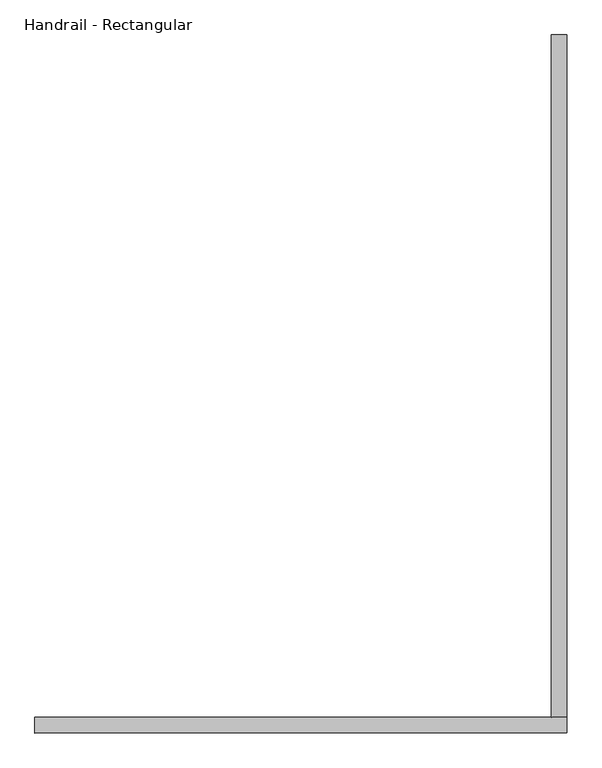
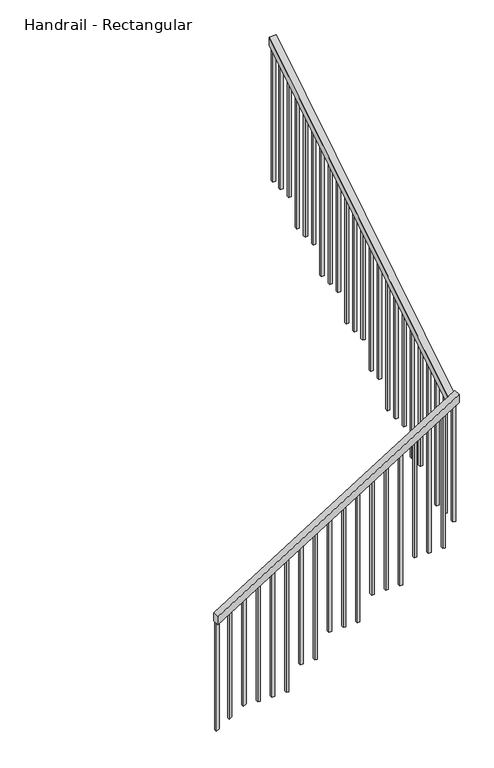
"""IFC4 building model written with IfcOpenShell, lengths in millimetres: railing geometry, Handrail - Rectangular."""

from ifc_helpers import new_model, si_unit, frame, origin, place, context, project, spatial, polyline, outline, extrude, source, transform, mapped, element, save


def handrail_rectangular_c1843fc4(model_context):
    return source(origin(), model_context, "Body", "SweptSolid", [
        extrude(outline(polyline([(930.2337662, 9224.6276888), (870.3716529, 9224.6276888), (1945.088536, 10948.6526888), (2004.9506494, 10948.6526888), (930.2337662, 9224.6276888)])), frame((0.0, -7015.6004697, 0.0), z_axis=(0.0, 1.0, 0.0), x_axis=(0.0, 0.0, 1.0)), (0.0, 0.0, 1.0), 50.8),
        extrude(outline(polyline([(-6964.8004697, 1915.4002243), (-6964.8004697, 1975.2623377), (-4755.0004697, 3352.8), (-4755.0004697, 3292.9378867), (-6964.8004697, 1915.4002243)])), frame((10897.8526888, 0.0, 0.0), z_axis=(1.0, 0.0, 0.0), x_axis=(0.0, 1.0, 0.0)), (0.0, 0.0, 1.0), 50.8),
        extrude(outline(polyline([(-4847.0754697, 3235.5404841), (-4847.0754697, 2264.2285714), (-4866.1254697, 2264.2285714), (-4866.1254697, 3223.6651594), (-4847.0754697, 3235.5404841)])), frame((10913.7276888, 0.0, 0.0), z_axis=(1.0, 0.0, 0.0), x_axis=(0.0, 1.0, 0.0)), (0.0, 0.0, 1.0), 19.05),
        extrude(outline(polyline([(-4948.6754697, 3172.2054191), (-4948.6754697, 2264.2285714), (-4967.7254697, 2264.2285714), (-4967.7254697, 3160.3300945), (-4948.6754697, 3172.2054191)])), frame((10913.7276888, 0.0, 0.0), z_axis=(1.0, 0.0, 0.0), x_axis=(0.0, 1.0, 0.0)), (0.0, 0.0, 1.0), 19.05),
        extrude(outline(polyline([(-5050.2754697, 3108.8703542), (-5050.2754697, 2090.0571429), (-5069.3254697, 2090.0571429), (-5069.3254697, 3096.9950295), (-5050.2754697, 3108.8703542)])), frame((10913.7276888, 0.0, 0.0), z_axis=(1.0, 0.0, 0.0), x_axis=(0.0, 1.0, 0.0)), (0.0, 0.0, 1.0), 19.05),
        extrude(outline(polyline([(-5151.8754697, 3045.5352893), (-5151.8754697, 2090.0571429), (-5170.9254697, 2090.0571429), (-5170.9254697, 3033.6599646), (-5151.8754697, 3045.5352893)])), frame((10913.7276888, 0.0, 0.0), z_axis=(1.0, 0.0, 0.0), x_axis=(0.0, 1.0, 0.0)), (0.0, 0.0, 1.0), 19.05),
        extrude(outline(polyline([(-5253.4754697, 2982.2002243), (-5253.4754697, 2090.0571429), (-5272.5254697, 2090.0571429), (-5272.5254697, 2970.3248997), (-5253.4754697, 2982.2002243)])), frame((10913.7276888, 0.0, 0.0), z_axis=(1.0, 0.0, 0.0), x_axis=(0.0, 1.0, 0.0)), (0.0, 0.0, 1.0), 19.05),
        extrude(outline(polyline([(-5355.0754697, 2918.8651594), (-5355.0754697, 1915.8857143), (-5374.1254697, 1915.8857143), (-5374.1254697, 2906.9898347), (-5355.0754697, 2918.8651594)])), frame((10913.7276888, 0.0, 0.0), z_axis=(1.0, 0.0, 0.0), x_axis=(0.0, 1.0, 0.0)), (0.0, 0.0, 1.0), 19.05),
        extrude(outline(polyline([(-5456.6754697, 2855.5300945), (-5456.6754697, 1915.8857143), (-5475.7254697, 1915.8857143), (-5475.7254697, 2843.6547698), (-5456.6754697, 2855.5300945)])), frame((10913.7276888, 0.0, 0.0), z_axis=(1.0, 0.0, 0.0), x_axis=(0.0, 1.0, 0.0)), (0.0, 0.0, 1.0), 19.05),
        extrude(outline(polyline([(-5558.2754697, 2792.1950295), (-5558.2754697, 1915.8857143), (-5577.3254697, 1915.8857143), (-5577.3254697, 2780.3197048), (-5558.2754697, 2792.1950295)])), frame((10913.7276888, 0.0, 0.0), z_axis=(1.0, 0.0, 0.0), x_axis=(0.0, 1.0, 0.0)), (0.0, 0.0, 1.0), 19.05),
        extrude(outline(polyline([(-5659.8754697, 2728.8599646), (-5659.8754697, 1741.7142857), (-5678.9254697, 1741.7142857), (-5678.9254697, 2716.9846399), (-5659.8754697, 2728.8599646)])), frame((10913.7276888, 0.0, 0.0), z_axis=(1.0, 0.0, 0.0), x_axis=(0.0, 1.0, 0.0)), (0.0, 0.0, 1.0), 19.05),
        extrude(outline(polyline([(-5761.4754697, 2665.5248997), (-5761.4754697, 1741.7142857), (-5780.5254697, 1741.7142857), (-5780.5254697, 2653.649575), (-5761.4754697, 2665.5248997)])), frame((10913.7276888, 0.0, 0.0), z_axis=(1.0, 0.0, 0.0), x_axis=(0.0, 1.0, 0.0)), (0.0, 0.0, 1.0), 19.05),
        extrude(outline(polyline([(-5863.0754697, 2602.1898347), (-5863.0754697, 1741.7142857), (-5882.1254697, 1741.7142857), (-5882.1254697, 2590.31451), (-5863.0754697, 2602.1898347)])), frame((10913.7276888, 0.0, 0.0), z_axis=(1.0, 0.0, 0.0), x_axis=(0.0, 1.0, 0.0)), (0.0, 0.0, 1.0), 19.05),
        extrude(outline(polyline([(-5964.6754697, 2538.8547698), (-5964.6754697, 1567.5428571), (-5983.7254697, 1567.5428571), (-5983.7254697, 2526.9794451), (-5964.6754697, 2538.8547698)])), frame((10913.7276888, 0.0, 0.0), z_axis=(1.0, 0.0, 0.0), x_axis=(0.0, 1.0, 0.0)), (0.0, 0.0, 1.0), 19.05),
        extrude(outline(polyline([(-6066.2754697, 2475.5197048), (-6066.2754697, 1567.5428571), (-6085.3254697, 1567.5428571), (-6085.3254697, 2463.6443802), (-6066.2754697, 2475.5197048)])), frame((10913.7276888, 0.0, 0.0), z_axis=(1.0, 0.0, 0.0), x_axis=(0.0, 1.0, 0.0)), (0.0, 0.0, 1.0), 19.05),
        extrude(outline(polyline([(-6167.8754697, 2412.1846399), (-6167.8754697, 1393.3714286), (-6186.9254697, 1393.3714286), (-6186.9254697, 2400.3093152), (-6167.8754697, 2412.1846399)])), frame((10913.7276888, 0.0, 0.0), z_axis=(1.0, 0.0, 0.0), x_axis=(0.0, 1.0, 0.0)), (0.0, 0.0, 1.0), 19.05),
        extrude(outline(polyline([(-6269.4754697, 2348.849575), (-6269.4754697, 1393.3714286), (-6288.5254697, 1393.3714286), (-6288.5254697, 2336.9742503), (-6269.4754697, 2348.849575)])), frame((10913.7276888, 0.0, 0.0), z_axis=(1.0, 0.0, 0.0), x_axis=(0.0, 1.0, 0.0)), (0.0, 0.0, 1.0), 19.05),
        extrude(outline(polyline([(-6371.0754697, 2285.51451), (-6371.0754697, 1393.3714286), (-6390.1254697, 1393.3714286), (-6390.1254697, 2273.6391854), (-6371.0754697, 2285.51451)])), frame((10913.7276888, 0.0, 0.0), z_axis=(1.0, 0.0, 0.0), x_axis=(0.0, 1.0, 0.0)), (0.0, 0.0, 1.0), 19.05),
        extrude(outline(polyline([(-6472.6754697, 2222.1794451), (-6472.6754697, 1219.2), (-6491.7254697, 1219.2), (-6491.7254697, 2210.3041204), (-6472.6754697, 2222.1794451)])), frame((10913.7276888, 0.0, 0.0), z_axis=(1.0, 0.0, 0.0), x_axis=(0.0, 1.0, 0.0)), (0.0, 0.0, 1.0), 19.05),
        extrude(outline(polyline([(-6574.2754697, 2158.8443802), (-6574.2754697, 1219.2), (-6593.3254697, 1219.2), (-6593.3254697, 2146.9690555), (-6574.2754697, 2158.8443802)])), frame((10913.7276888, 0.0, 0.0), z_axis=(1.0, 0.0, 0.0), x_axis=(0.0, 1.0, 0.0)), (0.0, 0.0, 1.0), 19.05),
        extrude(outline(polyline([(-6675.8754697, 2095.5093152), (-6675.8754697, 1219.2), (-6694.9254697, 1219.2), (-6694.9254697, 2083.6339906), (-6675.8754697, 2095.5093152)])), frame((10913.7276888, 0.0, 0.0), z_axis=(1.0, 0.0, 0.0), x_axis=(0.0, 1.0, 0.0)), (0.0, 0.0, 1.0), 19.05),
        extrude(outline(polyline([(-6777.4754697, 2032.1742503), (-6777.4754697, 1045.0285714), (-6796.5254697, 1045.0285714), (-6796.5254697, 2020.2989256), (-6777.4754697, 2032.1742503)])), frame((10913.7276888, 0.0, 0.0), z_axis=(1.0, 0.0, 0.0), x_axis=(0.0, 1.0, 0.0)), (0.0, 0.0, 1.0), 19.05),
        extrude(outline(polyline([(-6879.0754697, 1968.8391854), (-6879.0754697, 1045.0285714), (-6898.1254697, 1045.0285714), (-6898.1254697, 1956.9638607), (-6879.0754697, 1968.8391854)])), frame((10913.7276888, 0.0, 0.0), z_axis=(1.0, 0.0, 0.0), x_axis=(0.0, 1.0, 0.0)), (0.0, 0.0, 1.0), 19.05),
        extrude(outline(polyline([(1877.7950295, 10840.7026888), (870.8571429, 10840.7026888), (870.8571429, 10859.7526888), (1889.6703542, 10859.7526888), (1877.7950295, 10840.7026888)])), frame((0.0, -6999.7254697, 0.0), z_axis=(0.0, 1.0, 0.0), x_axis=(0.0, 0.0, 1.0)), (0.0, 0.0, 1.0), 19.05),
        extrude(outline(polyline([(1814.4599646, 10739.1026888), (870.8571429, 10739.1026888), (870.8571429, 10758.1526888), (1826.3352893, 10758.1526888), (1814.4599646, 10739.1026888)])), frame((0.0, -6999.7254697, 0.0), z_axis=(0.0, 1.0, 0.0), x_axis=(0.0, 0.0, 1.0)), (0.0, 0.0, 1.0), 19.05),
        extrude(outline(polyline([(1751.1248997, 10637.5026888), (870.8571429, 10637.5026888), (870.8571429, 10656.5526888), (1763.0002243, 10656.5526888), (1751.1248997, 10637.5026888)])), frame((0.0, -6999.7254697, 0.0), z_axis=(0.0, 1.0, 0.0), x_axis=(0.0, 0.0, 1.0)), (0.0, 0.0, 1.0), 19.05),
        extrude(outline(polyline([(1687.7898347, 10535.9026888), (696.6857143, 10535.9026888), (696.6857143, 10554.9526888), (1699.6651594, 10554.9526888), (1687.7898347, 10535.9026888)])), frame((0.0, -6999.7254697, 0.0), z_axis=(0.0, 1.0, 0.0), x_axis=(0.0, 0.0, 1.0)), (0.0, 0.0, 1.0), 19.05),
        extrude(outline(polyline([(1624.4547698, 10434.3026888), (696.6857143, 10434.3026888), (696.6857143, 10453.3526888), (1636.3300945, 10453.3526888), (1624.4547698, 10434.3026888)])), frame((0.0, -6999.7254697, 0.0), z_axis=(0.0, 1.0, 0.0), x_axis=(0.0, 0.0, 1.0)), (0.0, 0.0, 1.0), 19.05),
        extrude(outline(polyline([(1561.1197048, 10332.7026888), (696.6857143, 10332.7026888), (696.6857143, 10351.7526888), (1572.9950295, 10351.7526888), (1561.1197048, 10332.7026888)])), frame((0.0, -6999.7254697, 0.0), z_axis=(0.0, 1.0, 0.0), x_axis=(0.0, 0.0, 1.0)), (0.0, 0.0, 1.0), 19.05),
        extrude(outline(polyline([(1497.7846399, 10231.1026888), (522.5142857, 10231.1026888), (522.5142857, 10250.1526888), (1509.6599646, 10250.1526888), (1497.7846399, 10231.1026888)])), frame((0.0, -6999.7254697, 0.0), z_axis=(0.0, 1.0, 0.0), x_axis=(0.0, 0.0, 1.0)), (0.0, 0.0, 1.0), 19.05),
        extrude(outline(polyline([(1434.449575, 10129.5026888), (522.5142857, 10129.5026888), (522.5142857, 10148.5526888), (1446.3248997, 10148.5526888), (1434.449575, 10129.5026888)])), frame((0.0, -6999.7254697, 0.0), z_axis=(0.0, 1.0, 0.0), x_axis=(0.0, 0.0, 1.0)), (0.0, 0.0, 1.0), 19.05),
        extrude(outline(polyline([(1371.11451, 10027.9026888), (522.5142857, 10027.9026888), (522.5142857, 10046.9526888), (1382.9898347, 10046.9526888), (1371.11451, 10027.9026888)])), frame((0.0, -6999.7254697, 0.0), z_axis=(0.0, 1.0, 0.0), x_axis=(0.0, 0.0, 1.0)), (0.0, 0.0, 1.0), 19.05),
        extrude(outline(polyline([(1307.7794451, 9926.3026888), (348.3428571, 9926.3026888), (348.3428571, 9945.3526888), (1319.6547698, 9945.3526888), (1307.7794451, 9926.3026888)])), frame((0.0, -6999.7254697, 0.0), z_axis=(0.0, 1.0, 0.0), x_axis=(0.0, 0.0, 1.0)), (0.0, 0.0, 1.0), 19.05),
        extrude(outline(polyline([(1244.4443802, 9824.7026888), (348.3428571, 9824.7026888), (348.3428571, 9843.7526888), (1256.3197048, 9843.7526888), (1244.4443802, 9824.7026888)])), frame((0.0, -6999.7254697, 0.0), z_axis=(0.0, 1.0, 0.0), x_axis=(0.0, 0.0, 1.0)), (0.0, 0.0, 1.0), 19.05),
        extrude(outline(polyline([(1181.1093152, 9723.1026888), (174.1714286, 9723.1026888), (174.1714286, 9742.1526888), (1192.9846399, 9742.1526888), (1181.1093152, 9723.1026888)])), frame((0.0, -6999.7254697, 0.0), z_axis=(0.0, 1.0, 0.0), x_axis=(0.0, 0.0, 1.0)), (0.0, 0.0, 1.0), 19.05),
        extrude(outline(polyline([(1117.7742503, 9621.5026888), (174.1714286, 9621.5026888), (174.1714286, 9640.5526888), (1129.649575, 9640.5526888), (1117.7742503, 9621.5026888)])), frame((0.0, -6999.7254697, 0.0), z_axis=(0.0, 1.0, 0.0), x_axis=(0.0, 0.0, 1.0)), (0.0, 0.0, 1.0), 19.05),
        extrude(outline(polyline([(1054.4391854, 9519.9026888), (174.1714286, 9519.9026888), (174.1714286, 9538.9526888), (1066.31451, 9538.9526888), (1054.4391854, 9519.9026888)])), frame((0.0, -6999.7254697, 0.0), z_axis=(0.0, 1.0, 0.0), x_axis=(0.0, 0.0, 1.0)), (0.0, 0.0, 1.0), 19.05),
        extrude(outline(polyline([(991.1041204, 9418.3026888), (176.1476357, 9418.3026888), (188.0229604, 9437.3526888), (1002.9794451, 9437.3526888), (991.1041204, 9418.3026888)])), frame((0.0, -6999.7254697, 0.0), z_axis=(0.0, 1.0, 0.0), x_axis=(0.0, 0.0, 1.0)), (0.0, 0.0, 1.0), 19.05),
        extrude(outline(polyline([(927.7690555, 9316.7026888), (112.8125708, 9316.7026888), (124.6878955, 9335.7526888), (939.6443802, 9335.7526888), (927.7690555, 9316.7026888)])), frame((0.0, -6999.7254697, 0.0), z_axis=(0.0, 1.0, 0.0), x_axis=(0.0, 0.0, 1.0)), (0.0, 0.0, 1.0), 19.05),
        extrude(outline(polyline([(1923.3171074, 10913.7276888), (1045.0285714, 10913.7276888), (1045.0285714, 10932.7776888), (1935.1924321, 10932.7776888), (1923.3171074, 10913.7276888)])), frame((0.0, -6999.7254697, 0.0), z_axis=(0.0, 1.0, 0.0), x_axis=(0.0, 0.0, 1.0)), (0.0, 0.0, 1.0), 19.05),
        extrude(outline(polyline([(-4755.0004697, 3292.9378867), (-4755.0004697, 2264.2285714), (-4774.0504697, 2264.2285714), (-4774.0504697, 3281.062562), (-4755.0004697, 3292.9378867)])), frame((10913.7276888, 0.0, 0.0), z_axis=(1.0, 0.0, 0.0), x_axis=(0.0, 1.0, 0.0)), (0.0, 0.0, 1.0), 19.05),
        extrude(outline(polyline([(870.3716529, 9224.6276888), (55.4151682, 9224.6276888), (67.2904929, 9243.6776888), (882.2469776, 9243.6776888), (870.3716529, 9224.6276888)])), frame((0.0, -6999.7254697, 0.0), z_axis=(0.0, 1.0, 0.0), x_axis=(0.0, 0.0, 1.0)), (0.0, 0.0, 1.0), 19.05),
    ])


if __name__ == "__main__":
    model = new_model("IFC4")
    model_context = context("Model", 3, world=origin())
    ifc_project = project(units=[si_unit("LENGTHUNIT", "METRE", prefix="MILLI")], contexts=[model_context])
    site = spatial("IfcSite", under=ifc_project)
    building = spatial("IfcBuilding", under=site)
    placement = place(None, origin())
    handrail_rectangular_shape = handrail_rectangular_c1843fc4(model_context)
    element("IfcRailing", 1, ObjectType="Handrail - Rectangular", at=placement, inside=building, context=model_context, shape_type="MappedRepresentation", body=[
        mapped(handrail_rectangular_shape, transform((0.0, 0.0, 0.0), x_axis=(1.0, 0.0, 0.0), y_axis=(0.0, 1.0, 0.0), z_axis=(0.0, 0.0, 1.0))),
    ])
    save(model, "model.ifc")
